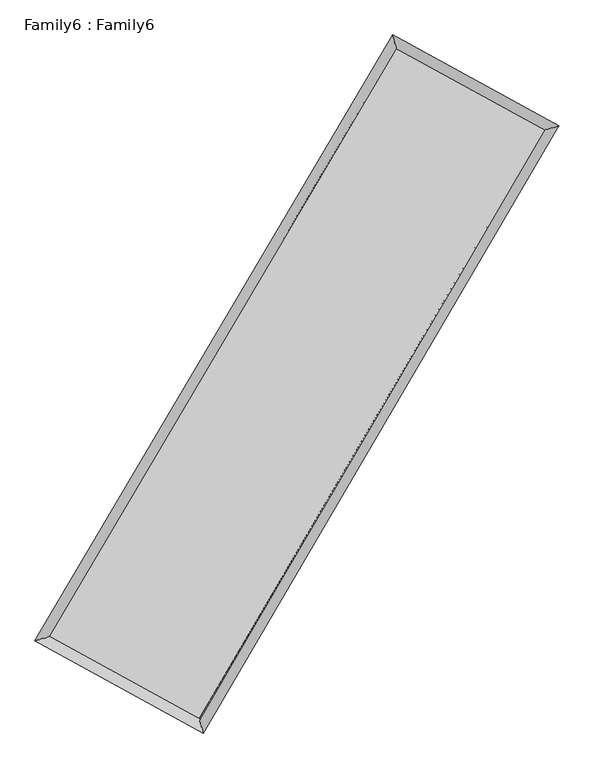
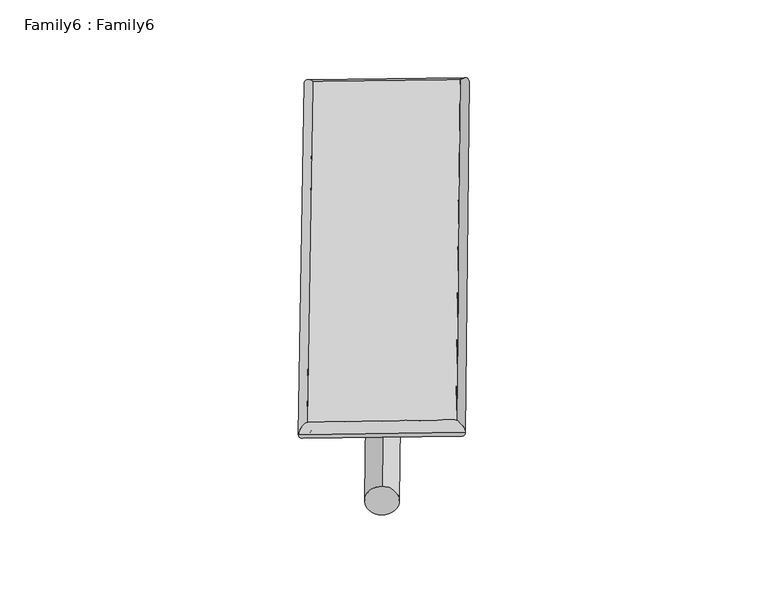
"""IFC4 building model written with IfcOpenShell, lengths in millimetres: plate geometry, Family6 : Family6."""

from ifc_helpers import new_model, si_unit, point, frame, origin, origin_2d, place, context, project, spatial, circle_curve, ellipse_curve, trimmed, segment, composite_curve, outline, extrude, source, transform, mapped, element, save
from ifc_brep_helpers import plane_surface, cylinder_surface, spline_surface, advanced_brep


def family6_family6_5e60a5ea(model_context):
    return source(origin(), model_context, "Body", "SolidModel", [
        extrude(outline(composite_curve([segment(trimmed(circle_curve(origin_2d(), 76.2), [point((-75.4341514, -10.7763073))], [point((75.4341514, 10.7763073))], False, "CARTESIAN"), True, "CONTINUOUS"), segment(trimmed(circle_curve(origin_2d(), 76.2), [point((75.4341514, 10.7763073))], [point((-75.4341514, -10.7763073))], False, "CARTESIAN"), True, "CONTINUOUS")], self_intersect=False)), frame((9144.0, 9144.0, 0.0), z_axis=(0.6719348321622868, 0.6891302695645869, 0.2712988258302629), x_axis=(-0.6808931524619618, 0.7189240966251179, -0.13975928671172455)), (0.0, 0.0, 1.0), 5606.6224281),
        extrude(outline(composite_curve([segment(trimmed(circle_curve(origin_2d(), 76.2), [point((-53.8815367, 53.8815367))], [point((53.8815367, -53.8815367))], False, "CARTESIAN"), True, "CONTINUOUS"), segment(trimmed(circle_curve(origin_2d(), 76.2), [point((53.8815367, -53.8815367))], [point((-53.8815367, 53.8815367))], False, "CARTESIAN"), True, "CONTINUOUS")], self_intersect=False)), frame((9144.0, 9144.0, 0.0), z_axis=(-0.6742918108026235, -0.6868806380210419, 0.27115593852306746), x_axis=(0.6399546462927844, -0.3602961243423931, 0.6787081504388526)), (0.0, 0.0, 1.0), 5610.0087092),
        extrude(outline(composite_curve([segment(trimmed(circle_curve(origin_2d(), 76.2), [point((-53.8815367, -53.8815367))], [point((53.8815367, 53.8815367))], False, "CARTESIAN"), True, "CONTINUOUS"), segment(trimmed(circle_curve(origin_2d(), 76.2), [point((53.8815367, 53.8815367))], [point((-53.8815367, -53.8815367))], False, "CARTESIAN"), True, "CONTINUOUS")], self_intersect=False)), frame((9144.0, 9144.0, 0.0), z_axis=(0.2719385207879638, 0.9220749774940435, 0.27536734881066327), x_axis=(-0.8406407911340152, 0.3668952655986798, -0.3983853967740927)), (0.0, 0.0, 1.0), 5533.8020862),
        extrude(outline(composite_curve([segment(trimmed(circle_curve(origin_2d(), 76.2), [point((-75.4341514, 10.7763073))], [point((75.4341514, -10.7763073))], False, "CARTESIAN"), True, "CONTINUOUS"), segment(trimmed(circle_curve(origin_2d(), 76.2), [point((75.4341514, -10.7763073))], [point((-75.4341514, 10.7763073))], False, "CARTESIAN"), True, "CONTINUOUS")], self_intersect=False)), frame((9144.0, 9144.0, 0.0), z_axis=(-0.2688280142232094, -0.9230496714638863, 0.2751559608280683), x_axis=(0.8800378325952162, -0.1192726828978043, 0.45968189034970064)), (0.0, 0.0, 1.0), 5538.505308),
        advanced_brep(
        [(5150.0300943, 5232.6536742, 1521.4032656), (5572.4043051, 5348.5339656, 1521.4575137), (5572.4040434, 5348.5336028, 1520.9710878), (10705.0731703, 14042.0422397, 1523.5349123), (10592.634737, 14451.1186286, 1524.1219063), (5150.0298326, 5232.6533114, 1520.9168396), (12700.5162435, 12949.3552328, 1521.1020929), (13122.053557, 13066.0312177, 1521.0380703), (7598.480955, 4236.5973574, 1523.9002172), (7711.7082776, 3826.7716328, 1524.005282)],
        [
            (0, 1, ellipse_curve(frame((5361.2170688, 5290.5936385, 1521.1871767), z_axis=(-0.2645776469118562, 0.9643642133164817, -0.0005769133979278346), x_axis=(-0.9643638328059259, -0.26457808853109915, -0.0009127130403487315)), 218.9913437, 152.4)),
            (1, 2, ellipse_curve(frame((5361.2170688, 5290.5936385, 1521.1871767), z_axis=(-0.2645776469118562, 0.9643642133164817, -0.0005769133979278346), x_axis=(-0.9643638328059259, -0.26457808853109915, -0.0009127130403487315)), 218.9913437, 152.4)),
            (2, 3),
            (3, 4, ellipse_curve(frame((10648.8539537, 14246.5804341, 1523.8284093), z_axis=(-0.9642397169506955, -0.265031028800266, 0.0005674750346839446), x_axis=(0.2650304310746627, -0.9642395790313715, -0.0009512275132922624)), 212.1239433, 152.4)),
            (4, 0),
            (2, 5, ellipse_curve(frame((5361.2170688, 5290.5936385, 1521.1871767), z_axis=(-0.2645776469118562, 0.9643642133164817, -0.0005769133979278346), x_axis=(-0.9643638328059259, -0.26457808853109915, -0.0009127130403487315)), 218.9913437, 152.4)),
            (5, 0, ellipse_curve(frame((5361.2170688, 5290.5936385, 1521.1871767), z_axis=(-0.2645776469118562, 0.9643642133164817, -0.0005769133979278346), x_axis=(-0.9643638328059259, -0.26457808853109915, -0.0009127130403487315)), 218.9913437, 152.4)),
            (4, 3, ellipse_curve(frame((10648.8539537, 14246.5804341, 1523.8284093), z_axis=(-0.9642397169506955, -0.265031028800266, 0.0005674750346839446), x_axis=(0.2650304310746627, -0.9642395790313715, -0.0009512275132922624)), 212.1239433, 152.4)),
            (3, 6),
            (6, 7, ellipse_curve(frame((12911.2849002, 13007.6932252, 1521.0700816), z_axis=(-0.26675701772189464, 0.96376364861733, 0.0005684188003113817), x_axis=(-0.9637632373521908, -0.26675745753242097, 0.0009387114909388851)), 218.6933489, 152.4)),
            (7, 4),
            (7, 6, ellipse_curve(frame((12911.2849002, 13007.6932252, 1521.0700816), z_axis=(-0.26675701772189464, 0.96376364861733, 0.0005684188003113817), x_axis=(-0.9637632373521908, -0.26675745753242097, 0.0009387114909388851)), 218.6933489, 152.4)),
            (6, 8),
            (8, 9, ellipse_curve(frame((7655.0946163, 4031.6844951, 1523.9527496), z_axis=(0.9638886925827003, 0.26630488636731126, 0.0005438824378218835), x_axis=(-0.2663043023256363, 0.9638885325855474, -0.0009567198840439244)), 212.5897741, 152.4)),
            (9, 7),
            (9, 8, ellipse_curve(frame((7655.0946163, 4031.6844951, 1523.9527496), z_axis=(0.9638886925827003, 0.26630488636731126, 0.0005438824378218835), x_axis=(-0.2663043023256363, 0.9638885325855474, -0.0009567198840439244)), 212.5897741, 152.4)),
            (8, 1),
            (5, 9),
        ],
        [
            cylinder_surface(frame((5361.2170688, 5290.5936385, 1521.1871767), z_axis=(-0.5084059175962937, -0.861117505605516, -0.00025395433601185053), x_axis=(-0.8611165351214457, 0.5084048491782379, 0.0016799620499522972)), 152.4),
            cylinder_surface(frame((10648.8539537, 14246.5804341, 1523.8284093), z_axis=(-0.8771060672170938, 0.48029553748390313, 0.0010693568213226699), x_axis=(0.48029645690612427, 0.8771057635601835, 0.000890512734813516)), 152.4),
            cylinder_surface(frame((12911.2849002, 13007.6932252, 1521.0700816), z_axis=(0.5053181760642841, 0.8629330588963949, -0.00027713313827152557), x_axis=(0.862933100123199, -0.5053181760642841, 7.51720043238156e-05)), 152.4),
            cylinder_surface(frame((7655.0946163, 4031.6844951, 1523.9527496), z_axis=(0.8766545679743389, -0.4811191654500303, 0.0010569230775197601), x_axis=(-0.48111868884169245, -0.8766552004389809, -0.0006832207117297237)), 152.4),
        ],
        [
            (0, [[1, 2, 3, 4, 5]]),
            (0, [[6, 7, -5, 8, -3]]),
            (1, [[-4, 9, 10, 11]]),
            (1, [[-8, -11, 12, -9]]),
            (2, [[-10, 13, 14, 15]]),
            (2, [[-12, -15, 16, -13]]),
            (3, [[-14, 17, -1, -7, 18]]),
            (3, [[-16, -18, -6, -2, -17]]),
        ],
    ),
        extrude(outline(composite_curve([segment(trimmed(circle_curve(origin_2d(), 304.8), [point((0.0, -304.8))], [point((0.0, 304.8))], False, "CARTESIAN"), True, "CONTINUOUS"), segment(trimmed(circle_curve(origin_2d(), 304.8), [point((0.0, 304.8))], [point((0.0, -304.8))], False, "CARTESIAN"), True, "CONTINUOUS")], self_intersect=False)), frame((6497.0864695, 4637.6461336, -4.24e-05), z_axis=(0.5064680564503472, 0.8622587243950669, 8.107503887075908e-09), x_axis=(-0.8622587243950669, 0.5064680564503472, 2.204952342314744e-09)), (0.0, 0.0, 1.0), 10452.4401759),
        advanced_brep(
        [(5361.2170688, 5290.5936385, 1521.1871767), (7655.0946163, 4031.6844951, 1523.9527496), (7655.0942837, 4031.686748, 1676.3527496), (5361.2167363, 5290.5958915, 1673.5871767), (12911.2849002, 13007.6932252, 1521.0700816), (12911.2845677, 13007.6954782, 1673.4700816), (10648.8539537, 14246.5804341, 1523.8284093), (10648.8536211, 14246.5826871, 1676.2284093)],
        [
            (0, 1),
            (1, 2),
            (2, 3),
            (3, 0),
            (1, 4),
            (4, 5),
            (5, 2),
            (4, 6),
            (6, 7),
            (7, 5),
            (6, 0),
            (3, 7),
        ],
        [
            plane_surface(frame((6508.1558426, 4661.1390668, 1522.5699631), z_axis=(-0.48111944517714156, -0.876655051505776, 1.1909862690816513e-05), x_axis=(0.876654567974339, -0.48111916545003, 0.0010569230775197601))),
            plane_surface(frame((10283.1897583, 8519.6888602, 1522.5114156), z_axis=(0.8629330933063009, -0.505318193210315, 9.353170788019865e-06), x_axis=(0.5053181760642838, 0.862933058896395, -0.00027713313827152573))),
            plane_surface(frame((11780.069427, 13627.1368297, 1522.4492455), z_axis=(0.4802958008860781, 0.8771065747725043, -1.191833487311939e-05), x_axis=(-0.877106067217094, 0.4802955374839031, 0.0010693568213226696))),
            plane_surface(frame((8005.0355113, 9768.5870363, 1522.507793), z_axis=(-0.8611175321224688, 0.5084059360226295, -9.394855585584814e-06), x_axis=(-0.5084059175962939, -0.8611175056055159, -0.00025395433601185064))),
            spline_surface(1, 1, [[(7655.0942837, 4031.686748, 1676.3527496), (5361.2167363, 5290.5958915, 1673.5871767)], [(12911.2845677, 13007.6954782, 1673.4700816), (10648.8536211, 14246.5826871, 1676.2284093)]], [2, 2], [2, 2], [0.0, 1.0], [0.0, 1.0]),
            spline_surface(1, 1, [[(10648.8539537, 14246.5804341, 1523.8284093), (5361.2170688, 5290.5936385, 1521.1871767)], [(12911.2849002, 13007.6932252, 1521.0700816), (7655.0946163, 4031.6844951, 1523.9527496)]], [2, 2], [2, 2], [0.0, 1.0], [0.0, 1.0]),
        ],
        [
            (0, [[1, 2, 3, 4]]),
            (1, [[5, 6, 7, -2]]),
            (2, [[8, 9, 10, -6]]),
            (3, [[11, -4, 12, -9]]),
            (4, [[-3, -7, -10, -12]]),
            (5, [[-11, -8, -5, -1]]),
        ],
    ),
    ])


if __name__ == "__main__":
    model = new_model("IFC4")
    model_context = context("Model", 3, world=origin())
    ifc_project = project(units=[si_unit("LENGTHUNIT", "METRE", prefix="MILLI")], contexts=[model_context])
    site = spatial("IfcSite", under=ifc_project)
    building = spatial("IfcBuilding", under=site)
    placement = place(None, origin())
    family6_family6_shape = family6_family6_5e60a5ea(model_context)
    element("IfcPlate", 1, ObjectType="Family6 : Family6", at=placement, inside=building, context=model_context, shape_type="MappedRepresentation", body=[
        mapped(family6_family6_shape, transform((0.0, 0.0, 0.0), x_axis=(1.0, 0.0, 0.0), y_axis=(0.0, 1.0, 0.0), z_axis=(0.0, 0.0, 1.0))),
    ])
    save(model, "model.ifc")
